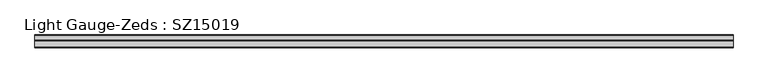
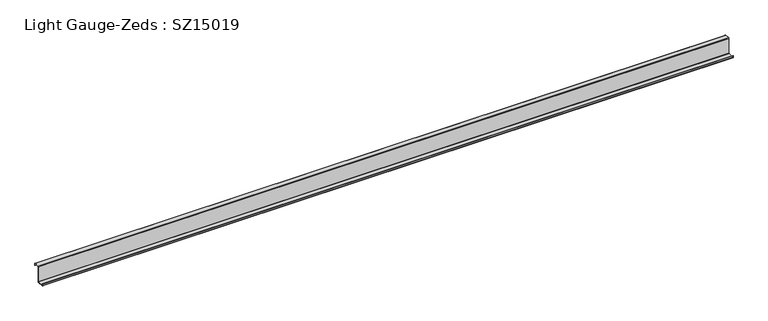
"""IFC4 building model written with IfcOpenShell, lengths in millimetres: beam geometry, Light Gauge-Zeds : SZ15019."""

from ifc_helpers import new_model, si_unit, point, frame, frame_2d, origin, place, context, project, spatial, polyline, circle_curve, trimmed, segment, composite_curve, outline, extrude, source, transform, mapped, element, save


def light_gauge_zeds_sz15019_79b5d354(model_context):
    return source(origin(), model_context, "Body", "SweptSolid", [
        extrude(outline(composite_curve([segment(trimmed(circle_curve(frame_2d((-3.9, -72.1)), 3.9), [point((0.0, -72.1))], [point((-3.9, -76.0))], False, "CARTESIAN"), True, "CONTINUOUS"), segment(polyline([(-3.9, -76.0), (-63.6, -76.0)]), True, "CONTINUOUS"), segment(trimmed(circle_curve(frame_2d((-63.6, -72.1)), 3.9), [point((-63.6, -76.0))], [point((-67.5, -72.1))], False, "CARTESIAN"), True, "CONTINUOUS"), segment(polyline([(-67.5, -72.1), (-67.5, -57.0), (-65.6, -57.0), (-65.6, -72.1)]), True, "CONTINUOUS"), segment(trimmed(circle_curve(frame_2d((-63.6, -72.1)), 2.0), [point((-65.6, -72.1))], [point((-63.6, -74.1))], True, "CARTESIAN"), True, "CONTINUOUS"), segment(polyline([(-63.6, -74.1), (-3.9, -74.1)]), True, "CONTINUOUS"), segment(trimmed(circle_curve(frame_2d((-3.9, -72.1)), 2.0), [point((-3.9, -74.1))], [point((-1.9, -72.1))], True, "CARTESIAN"), True, "CONTINUOUS"), segment(polyline([(-1.9, -72.1), (-1.9, 72.1)]), True, "CONTINUOUS"), segment(trimmed(circle_curve(frame_2d((2.0, 72.1)), 3.9), [point((-1.9, 72.1))], [point((2.0, 76.0))], False, "CARTESIAN"), True, "CONTINUOUS"), segment(polyline([(2.0, 76.0), (46.6, 76.0)]), True, "CONTINUOUS"), segment(trimmed(circle_curve(frame_2d((46.6, 72.1)), 3.9), [point((46.6, 76.0))], [point((50.5, 72.1))], False, "CARTESIAN"), True, "CONTINUOUS"), segment(polyline([(50.5, 72.1), (50.5, 58.0), (48.6, 58.0), (48.6, 72.1)]), True, "CONTINUOUS"), segment(trimmed(circle_curve(frame_2d((46.6, 72.1)), 2.0), [point((48.6, 72.1))], [point((46.6, 74.1))], True, "CARTESIAN"), True, "CONTINUOUS"), segment(polyline([(46.6, 74.1), (2.0, 74.1)]), True, "CONTINUOUS"), segment(trimmed(circle_curve(frame_2d((2.0, 72.1)), 2.0), [point((2.0, 74.1))], [point((0.0, 72.1))], True, "CARTESIAN"), True, "CONTINUOUS"), segment(polyline([(0.0, 72.1), (0.0, -72.1)]), True, "CONTINUOUS")], self_intersect=False)), frame((-3189.3086319, 0.0, 0.0), z_axis=(1.0, 0.0, 0.0), x_axis=(0.0, 1.0, 0.0)), (0.0, 0.0, 1.0), 6395.3086319),
    ])


if __name__ == "__main__":
    model = new_model("IFC4")
    model_context = context("Model", 3, world=origin())
    ifc_project = project(units=[si_unit("LENGTHUNIT", "METRE", prefix="MILLI")], contexts=[model_context])
    site = spatial("IfcSite", under=ifc_project)
    building = spatial("IfcBuilding", under=site)
    placement = place(None, origin())
    light_gauge_zeds_sz15019_shape = light_gauge_zeds_sz15019_79b5d354(model_context)
    element("IfcBeam", 1, ObjectType="Light Gauge-Zeds : SZ15019", at=placement, inside=building, context=model_context, shape_type="MappedRepresentation", body=[
        mapped(light_gauge_zeds_sz15019_shape, transform((0.0, 0.0, 0.0), x_axis=(1.0, 0.0, 0.0), y_axis=(0.0, 1.0, 0.0), z_axis=(0.0, 0.0, 1.0))),
    ])
    save(model, "model.ifc")
